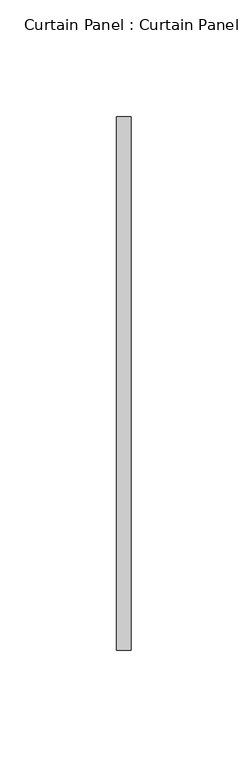
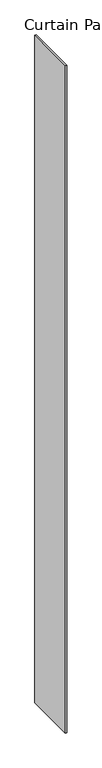
"""IFC4 building model written with IfcOpenShell, lengths in millimetres: plate geometry, Curtain Panel : Curtain Panel."""

import ifcopenshell
import ifcopenshell.guid

model = None  # the IFC model being written
_history = None  # IfcOwnerHistory: only IFC2X3 demands one
_inside = {}  # id of a spatial element -> (the spatial element, [elements in it])
_under = {}  # id of a project, library or spatial element -> (it, [spatial elements below it])
_declared = {}  # id of a project -> (the project, [libraries it declares])
_typed = {}  # id of a type object -> (the type object, [elements of that type])
_made_of = {}  # id of a material, layer set ... -> (it, [elements and type objects made of it])


def new_model(schema):
    """Start an empty IFC model of exactly this schema.

    Asked for "IFC4X3", IfcOpenShell would pick the latest addendum, in which some entities
    have other attributes; the version numbers below select the first issue.
    IFC2X3 requires an IfcOwnerHistory on every rooted entity: one is made here for all.
    """
    global model, _history
    if schema == "IFC4X3":
        model = ifcopenshell.file(schema_version=(4, 3, 0, 0))
    else:
        model = ifcopenshell.file(schema=schema)
    _inside.clear()
    _under.clear()
    _declared.clear()
    _typed.clear()
    _made_of.clear()
    _history = None
    if model.schema == "IFC2X3":
        org = make("IfcOrganization", Name="unknown")
        user = make(
            "IfcPersonAndOrganization",
            ThePerson=make("IfcPerson", FamilyName="unknown"),
            TheOrganization=org,
        )
        app = make(
            "IfcApplication",
            ApplicationDeveloper=org,
            Version="unknown",
            ApplicationFullName="unknown",
            ApplicationIdentifier="unknown",
        )
        _history = make(
            "IfcOwnerHistory",
            OwningUser=user,
            OwningApplication=app,
            ChangeAction="ADDED",
            CreationDate=0,
        )
    return model


def make(cls, **values):
    """One entity of the class cls with the attributes given. An attribute that is None is left unset."""
    return model.create_entity(
        cls, **{name: value for name, value in values.items() if value is not None}
    )


def rooted(cls, **values):
    """An entity with a GlobalId (a new one), such as an element, a storey or a relation."""
    return make(cls, GlobalId=ifcopenshell.guid.new(), OwnerHistory=_history, **values)


def si_unit(unit_type, name, prefix=None):
    """IfcSIUnit, for example si_unit("LENGTHUNIT", "METRE", prefix="MILLI")."""
    return make("IfcSIUnit", UnitType=unit_type, Prefix=prefix, Name=name)


def assignment(units):
    """IfcUnitAssignment: the units of a project."""
    return None if units is None else make("IfcUnitAssignment", Units=units)


def point(xyz):
    """IfcCartesianPoint."""
    return None if xyz is None else make("IfcCartesianPoint", Coordinates=xyz)


def direction(xyz):
    """IfcDirection."""
    return None if xyz is None else make("IfcDirection", DirectionRatios=xyz)


def frame(location, z_axis=None, x_axis=None):
    """IfcAxis2Placement3D, a coordinate frame: its origin and axes. An axis left out is left unset."""
    return make(
        "IfcAxis2Placement3D",
        Location=point(location),
        Axis=direction(z_axis),
        RefDirection=direction(x_axis),
    )


def origin():
    """The frame at (0, 0, 0) with its axes left unset."""
    return frame((0.0, 0.0, 0.0))


def origin_with_axes():
    """The frame at (0, 0, 0) with the z axis (0, 0, 1) and the x axis (1, 0, 0) written out."""
    return frame((0.0, 0.0, 0.0), z_axis=(0.0, 0.0, 1.0), x_axis=(1.0, 0.0, 0.0))


def place(relative_to, where):
    """IfcLocalPlacement: puts the frame where relative to a parent placement (None: the world)."""
    return make(
        "IfcLocalPlacement", PlacementRelTo=relative_to, RelativePlacement=where
    )


def context(
    kind, dimensions, precision=None, world=None, true_north=None, identifier=None
):
    """IfcGeometricRepresentationContext, for example the 3D "Model" context."""
    return make(
        "IfcGeometricRepresentationContext",
        ContextIdentifier=identifier,
        ContextType=kind,
        CoordinateSpaceDimension=dimensions,
        Precision=precision,
        WorldCoordinateSystem=world,
        TrueNorth=true_north,
    )


def project(units=None, contexts=None):
    """IfcProject with its units and contexts."""
    return rooted(
        "IfcProject",
        Name="project",
        RepresentationContexts=contexts,
        UnitsInContext=assignment(units),
    )


def spatial(cls, under=None, at=None, **own):
    """A site, building, storey or space (cls), placed at a placement, below another one or the project."""
    s = rooted(cls, ObjectPlacement=at, **own)
    if under is not None:
        _under.setdefault(under.id(), (under, []))[1].append(s)
    return s


def polyline(points):
    """IfcPolyline through the points."""
    return make("IfcPolyline", Points=[point(p) for p in points])


def outline(outer, holes=None, kind="AREA"):
    """IfcArbitraryClosedProfileDef: a profile drawn as a closed curve; with holes, ...WithVoids."""
    if holes is None:
        return make("IfcArbitraryClosedProfileDef", ProfileType=kind, OuterCurve=outer)
    return make(
        "IfcArbitraryProfileDefWithVoids",
        ProfileType=kind,
        OuterCurve=outer,
        InnerCurves=holes,
    )


def extrude(swept, where, along, depth):
    """IfcExtrudedAreaSolid: the profile swept, set in the frame where, extruded along a direction by depth."""
    return make(
        "IfcExtrudedAreaSolid",
        SweptArea=swept,
        Position=where,
        ExtrudedDirection=direction(along),
        Depth=depth,
    )


def shape(context_of_items, identifier, shape_type, items):
    """IfcShapeRepresentation: the items that make up one representation, for example the "Body"."""
    return make(
        "IfcShapeRepresentation",
        ContextOfItems=context_of_items,
        RepresentationIdentifier=identifier,
        RepresentationType=shape_type,
        Items=items,
    )


def source(mapping_origin, context_of_items, identifier, shape_type, items):
    """IfcRepresentationMap: a shape defined once, which mapped items show again and again."""
    return make(
        "IfcRepresentationMap",
        MappingOrigin=mapping_origin,
        MappedRepresentation=shape(context_of_items, identifier, shape_type, items),
    )


def transform(
    local_origin,
    x_axis=None,
    y_axis=None,
    z_axis=None,
    scale=None,
    scale2=None,
    scale3=None,
    uniform=True,
):
    """IfcCartesianTransformationOperator3D, or its non-uniform kind. x_axis, y_axis, z_axis: its Axis1, 2, 3."""
    if uniform:
        return make(
            "IfcCartesianTransformationOperator3D",
            Axis1=direction(x_axis),
            Axis2=direction(y_axis),
            LocalOrigin=point(local_origin),
            Scale=scale,
            Axis3=direction(z_axis),
        )
    return make(
        "IfcCartesianTransformationOperator3DnonUniform",
        Axis1=direction(x_axis),
        Axis2=direction(y_axis),
        LocalOrigin=point(local_origin),
        Scale=scale,
        Axis3=direction(z_axis),
        Scale2=scale2,
        Scale3=scale3,
    )


def mapped(mapping_source, mapping_target):
    """IfcMappedItem: shows the shape of a source again, moved by a transform."""
    return make(
        "IfcMappedItem", MappingSource=mapping_source, MappingTarget=mapping_target
    )


def made_of(thing, what):
    """Note that an element or type object is made of a material, layer set ...; save() writes the relation."""
    if what is not None:
        _made_of.setdefault(what.id(), (what, []))[1].append(thing)
    return thing


def element(
    cls,
    number,
    at=None,
    inside=None,
    cuts=None,
    type_object=None,
    material=None,
    context=None,
    identifier="Body",
    shape_type=None,
    held_by="IfcProductDefinitionShape",
    body=None,
    shapes=None,
    **own,
):
    """One element of the class cls, such as IfcWall. Its Tag is "e" and its number.

    at: its placement. inside: the storey or other place that contains it. cuts: it is an
    opening in that element (IfcRelVoidsElement). A single representation is given by context,
    identifier, shape_type and body (its items); several are given by shapes. held_by: the class
    of the entity that holds the representations. save() writes the other relations.
    """
    e = rooted(cls, Tag="e%d" % number, ObjectPlacement=at, **own)
    if body is not None:
        shapes = [shape(context, identifier, shape_type, body)]
    if shapes is not None:
        e.Representation = make(held_by, Representations=shapes)
    if inside is not None:
        _inside.setdefault(inside.id(), (inside, []))[1].append(e)
    if cuts is not None:
        rooted(
            "IfcRelVoidsElement", RelatingBuildingElement=cuts, RelatedOpeningElement=e
        )
    if type_object is not None:
        _typed.setdefault(type_object.id(), (type_object, []))[1].append(e)
    return made_of(e, material)


def aggregate(whole, parts):
    """IfcRelAggregates: a whole, such as a stair, and the parts it consists of."""
    return rooted("IfcRelAggregates", RelatingObject=whole, RelatedObjects=parts)


def save(model, path):
    """Write the relations noted so far, then the file.

    IfcRelAggregates (storeys below a building ...), IfcRelContainedInSpatialStructure (elements
    in a storey), IfcRelDefinesByType, IfcRelAssociatesMaterial and IfcRelDeclares: one each for
    every whole, place, type object, material and project.
    """
    for whole, parts in _under.values():
        aggregate(whole, parts)
    for where, things in _inside.values():
        rooted(
            "IfcRelContainedInSpatialStructure",
            RelatedElements=things,
            RelatingStructure=where,
        )
    for kind, things in _typed.values():
        rooted("IfcRelDefinesByType", RelatedObjects=things, RelatingType=kind)
    for what, things in _made_of.values():
        rooted("IfcRelAssociatesMaterial", RelatedObjects=things, RelatingMaterial=what)
    for by, libraries in _declared.values():
        rooted("IfcRelDeclares", RelatingContext=by, RelatedDefinitions=libraries)
    model.write(path)


def curtain_panel_curtain_panel_b6f3ef15(model_context):
    return source(origin(), model_context, "Body", "SweptSolid", [
        extrude(outline(polyline([(6857.4647375, 93060.0982822), (6857.4647375, 92831.4982822), (6851.1147375, 92831.4982822), (6851.1147375, 93060.0982822), (6857.4647375, 93060.0982822)])), origin_with_axes(), (0.0, 0.0, 1.0), 3048.0),
    ])


if __name__ == "__main__":
    model = new_model("IFC4")
    model_context = context("Model", 3, world=origin())
    ifc_project = project(units=[si_unit("LENGTHUNIT", "METRE", prefix="MILLI")], contexts=[model_context])
    site = spatial("IfcSite", under=ifc_project)
    building = spatial("IfcBuilding", under=site)
    placement = place(None, origin())
    curtain_panel_curtain_panel_shape = curtain_panel_curtain_panel_b6f3ef15(model_context)
    element("IfcPlate", 1, ObjectType="Curtain Panel : Curtain Panel", at=placement, inside=building, context=model_context, shape_type="MappedRepresentation", body=[
        mapped(curtain_panel_curtain_panel_shape, transform((0.0, 0.0, 0.0), x_axis=(1.0, 0.0, 0.0), y_axis=(0.0, 1.0, 0.0), z_axis=(0.0, 0.0, 1.0))),
    ])
    save(model, "model.ifc")
